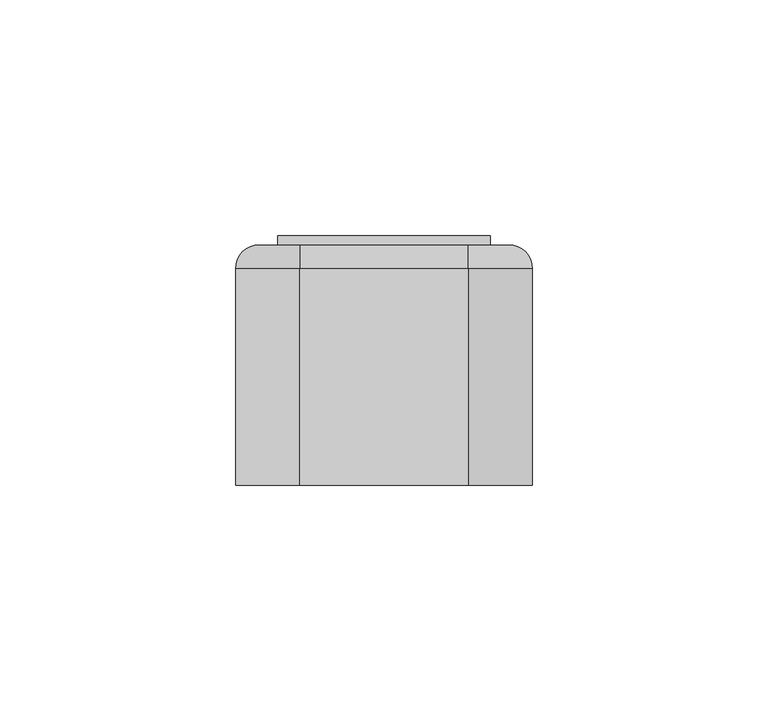
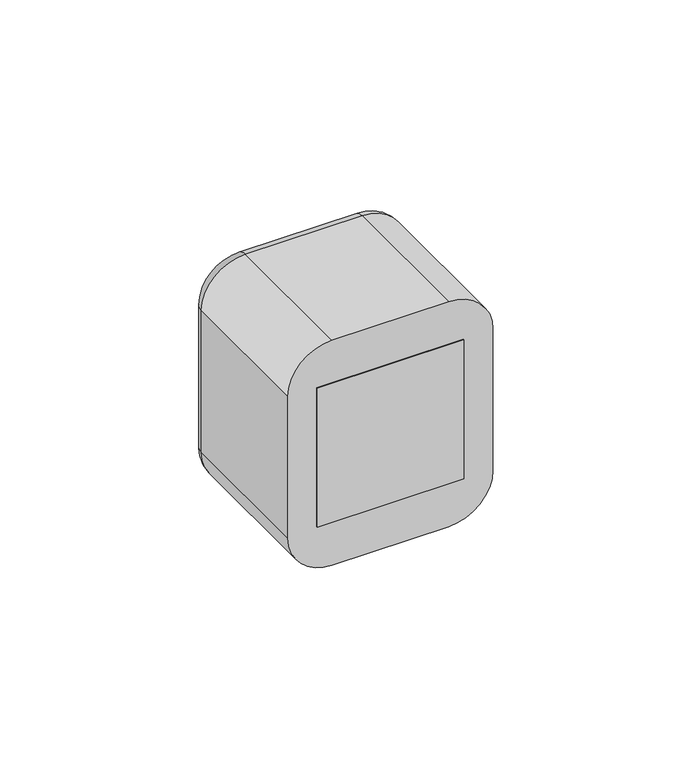
"""IFC4 building model written with IfcOpenShell, lengths in millimetres: proxy geometry."""

from ifc_helpers import new_model, si_unit, point, frame, origin, origin_2d, place, context, project, spatial, polyline, circle_curve, ellipse_curve, trimmed, segment, composite_curve, outline, extrude, source, transform, mapped, element, save
from ifc_brep_helpers import plane_surface, cylinder_surface, revolved_surface, advanced_brep


def electrical_fixtures_f7420d90(model_context):
    return source(origin(), model_context, "Body", "SolidModel", [
        advanced_brep(
        [(22.5, 51.0, 22.5), (22.5, 51.0, -22.5), (-22.5, 51.0, -22.5), (-22.5, 51.0, 22.5), (-18.0, 51.0, 0.0), (18.0, 51.0, 0.0), (22.5, 43.0, 22.5), (-22.5, 43.0, 22.5), (-22.5, 43.0, -22.5), (22.5, 43.0, -22.5), (-7.0, 43.0, 0.0), (-12.0, 43.0, 0.0), (12.0, 43.0, 0.0), (7.0, 43.0, 0.0), (-18.0, 44.0, 0.0), (18.0, 44.0, 0.0), (-12.0, 44.0, 0.0), (-7.0, 44.0, 0.0), (7.0, 44.0, 0.0), (12.0, 44.0, 0.0)],
        [
            (0, 1),
            (1, 2),
            (2, 3),
            (3, 0),
            (4, 5, circle_curve(frame((0.0, 51.0, 0.0), z_axis=(0.0, -1.0, 0.0), x_axis=(1.0, 0.0, 0.0)), 18.0)),
            (5, 4, circle_curve(frame((0.0, 51.0, 0.0), z_axis=(0.0, -1.0, 0.0), x_axis=(1.0, 0.0, 0.0)), 18.0)),
            (6, 7),
            (7, 8),
            (8, 9),
            (9, 6),
            (10, 11, circle_curve(frame((-9.5, 43.0, 0.0), z_axis=(0.0, 1.0, 0.0), x_axis=(1.0, 0.0, 0.0)), 2.5)),
            (11, 10, circle_curve(frame((-9.5, 43.0, 0.0), z_axis=(0.0, 1.0, 0.0), x_axis=(1.0, 0.0, 0.0)), 2.5)),
            (12, 13, circle_curve(frame((9.5, 43.0, 0.0), z_axis=(0.0, 1.0, 0.0), x_axis=(1.0, 0.0, 0.0)), 2.5)),
            (13, 12, circle_curve(frame((9.5, 43.0, 0.0), z_axis=(0.0, 1.0, 0.0), x_axis=(1.0, 0.0, 0.0)), 2.5)),
            (3, 7),
            (6, 0),
            (2, 8),
            (1, 9),
            (14, 15, circle_curve(frame((0.0, 44.0, 0.0), z_axis=(0.0, 1.0, 0.0), x_axis=(1.0, 0.0, 0.0)), 18.0)),
            (15, 14, circle_curve(frame((0.0, 44.0, 0.0), z_axis=(0.0, 1.0, 0.0), x_axis=(1.0, 0.0, 0.0)), 18.0)),
            (16, 17, circle_curve(frame((-9.5, 44.0, 0.0), z_axis=(0.0, -1.0, 0.0), x_axis=(1.0, 0.0, 0.0)), 2.5)),
            (17, 16, circle_curve(frame((-9.5, 44.0, 0.0), z_axis=(0.0, -1.0, 0.0), x_axis=(1.0, 0.0, 0.0)), 2.5)),
            (18, 19, circle_curve(frame((9.5, 44.0, 0.0), z_axis=(0.0, -1.0, 0.0), x_axis=(1.0, 0.0, 0.0)), 2.5)),
            (19, 18, circle_curve(frame((9.5, 44.0, 0.0), z_axis=(0.0, -1.0, 0.0), x_axis=(1.0, 0.0, 0.0)), 2.5)),
            (15, 5),
            (4, 14),
            (10, 17),
            (16, 11),
            (12, 19),
            (18, 13),
        ],
        [
            plane_surface(frame((-39.0, 51.0, 22.5), z_axis=(0.0, 1.0, 0.0), x_axis=(1.0, 0.0, 0.0))),
            plane_surface(frame((-39.0, 43.0, 22.5), z_axis=(0.0, -1.0, 0.0), x_axis=(-1.0, 0.0, 0.0))),
            plane_surface(frame((22.5, 43.0, 22.5), z_axis=(0.0, 0.0, 1.0), x_axis=(0.0, 1.0, 0.0))),
            plane_surface(frame((-22.5, 43.0, 22.5), z_axis=(-1.0, 0.0, 0.0), x_axis=(0.0, 1.0, 0.0))),
            plane_surface(frame((-22.5, 43.0, -22.5), z_axis=(0.0, 0.0, -1.0), x_axis=(0.0, 1.0, 0.0))),
            plane_surface(frame((22.5, 43.0, -22.5), z_axis=(1.0, 0.0, 0.0), x_axis=(0.0, 1.0, 0.0))),
            plane_surface(frame((18.0, 44.0, 0.0), z_axis=(0.0, 1.0, 0.0), x_axis=(0.0, 0.0, 1.0))),
            revolved_surface(polyline([(18.0, 44.0, 0.0), (18.0, 51.0, 0.0)]), (0.0, 51.0, 0.0), (0.0, -1.0, 0.0)),
            revolved_surface(polyline([(-7.0, 43.0, 0.0), (-7.0, 44.0, 0.0)]), (-9.5, 44.0, 0.0), (0.0, -1.0, 0.0)),
            revolved_surface(polyline([(12.0, 43.0, 0.0), (12.0, 44.0, 0.0)]), (9.5, 43.0, 0.0), (0.0, -1.0, 0.0)),
        ],
        [
            (0, [[1, 2, 3, 4], [5, 6]]),
            (1, [[7, 8, 9, 10], [11, 12], [13, 14]]),
            (2, [[-4, 15, -7, 16]]),
            (3, [[-3, 17, -8, -15]]),
            (4, [[-2, 18, -9, -17]]),
            (5, [[-1, -16, -10, -18]]),
            (6, [[19, 20], [21, 22], [23, 24]]),
            (7, [[-20, 25, -5, 26]]),
            (7, [[-19, -26, -6, -25]]),
            (8, [[27, -21, 28, -11]]),
            (8, [[-27, -12, -28, -22]]),
            (9, [[29, -23, 30, -13]]),
            (9, [[-29, -14, -30, -24]]),
        ],
    ),
        extrude(outline(polyline([(22.5, 0.0), (-22.5, 0.0), (-22.5, 43.0), (22.5, 43.0), (22.5, 0.0)])), frame((0.0, 0.0, -22.5), z_axis=(0.0, 0.0, 1.0), x_axis=(1.0, 0.0, 0.0)), (0.0, 0.0, 1.0), 45.0),
        extrude(outline(polyline([(22.5, 51.0), (-22.5, 51.0), (-22.5, 53.0), (22.5, 53.0), (22.5, 51.0)])), frame((0.0, 0.0, -22.5), z_axis=(0.0, 0.0, 1.0), x_axis=(1.0, 0.0, 0.0)), (0.0, 0.0, 1.0), 45.0),
        extrude(outline(composite_curve([segment(polyline([(-16.0, -1.5), (-17.9373911, -1.5)]), True, "CONTINUOUS"), segment(trimmed(circle_curve(origin_2d(), 18.0), [point((-17.9373911, -1.5))], [point((-17.9373911, 1.5))], False, "CARTESIAN"), True, "CONTINUOUS"), segment(polyline([(-17.9373911, 1.5), (-16.0, 1.5), (-16.0, -1.5)]), True, "CONTINUOUS")], self_intersect=False)), frame((0.0, 44.0, 0.0), z_axis=(0.0, 1.0, 0.0), x_axis=(0.0, 0.0, 1.0)), (0.0, 0.0, 1.0), 6.0),
        extrude(outline(composite_curve([segment(polyline([(16.0, -1.5), (16.0, 1.5), (17.9373911, 1.5)]), True, "CONTINUOUS"), segment(trimmed(circle_curve(origin_2d(), 18.0), [point((17.9373911, 1.5))], [point((17.9373911, -1.5))], False, "CARTESIAN"), True, "CONTINUOUS"), segment(polyline([(17.9373911, -1.5), (16.0, -1.5)]), True, "CONTINUOUS")], self_intersect=False)), frame((0.0, 44.0, 0.0), z_axis=(0.0, 1.0, 0.0), x_axis=(0.0, 0.0, 1.0)), (0.0, 0.0, 1.0), 6.0),
        extrude(outline(composite_curve([segment(polyline([(8.2462113, 16.0), (2.0, 16.0), (2.0, 17.8885438)]), True, "CONTINUOUS"), segment(trimmed(circle_curve(origin_2d(), 18.0), [point((2.0, 17.8885438))], [point((8.2462113, 16.0))], False, "CARTESIAN"), True, "CONTINUOUS")], self_intersect=False)), frame((0.0, 44.0, 0.0), z_axis=(0.0, 1.0, 0.0), x_axis=(0.0, 0.0, 1.0)), (0.0, 0.0, 1.0), 6.0),
        extrude(outline(composite_curve([segment(trimmed(circle_curve(origin_2d(), 18.0), [point((-8.2462113, 16.0))], [point((-2.0, 17.8885438))], False, "CARTESIAN"), True, "CONTINUOUS"), segment(polyline([(-2.0, 17.8885438), (-2.0, 16.0), (-8.2462113, 16.0)]), True, "CONTINUOUS")], self_intersect=False)), frame((0.0, 44.0, 0.0), z_axis=(0.0, 1.0, 0.0), x_axis=(0.0, 0.0, 1.0)), (0.0, 0.0, 1.0), 6.0),
        extrude(outline(composite_curve([segment(polyline([(-8.2462113, -16.0), (-2.0, -16.0), (-2.0, -17.8885438)]), True, "CONTINUOUS"), segment(trimmed(circle_curve(origin_2d(), 18.0), [point((-2.0, -17.8885438))], [point((-8.2462113, -16.0))], False, "CARTESIAN"), True, "CONTINUOUS")], self_intersect=False)), frame((0.0, 44.0, 0.0), z_axis=(0.0, 1.0, 0.0), x_axis=(0.0, 0.0, 1.0)), (0.0, 0.0, 1.0), 6.0),
        extrude(outline(composite_curve([segment(trimmed(circle_curve(origin_2d(), 18.0), [point((8.2462113, -16.0))], [point((2.0, -17.8885438))], False, "CARTESIAN"), True, "CONTINUOUS"), segment(polyline([(2.0, -17.8885438), (2.0, -16.0), (8.2462113, -16.0)]), True, "CONTINUOUS")], self_intersect=False)), frame((0.0, 44.0, 0.0), z_axis=(0.0, 1.0, 0.0), x_axis=(0.0, 0.0, 1.0)), (0.0, 0.0, 1.0), 6.0),
        advanced_brep(
        [(17.9328665, 51.0, 31.5), (26.5, 51.0, 22.9328665), (26.5, 51.0, -22.9328665), (17.9328665, 51.0, -31.5), (-17.9328665, 51.0, -31.5), (-26.5, 51.0, -22.9328665), (-26.5, 51.0, 22.9328665), (-17.9328665, 51.0, 31.5), (22.5, 51.0, 22.5), (-22.5, 51.0, 22.5), (-22.5, 51.0, -22.5), (22.5, 51.0, -22.5), (-17.9328665, 0.0, 36.5), (-31.5, 0.0, 22.9328665), (-31.5, 0.0, -22.9328665), (-17.9328665, 0.0, -36.5), (17.9328665, 0.0, -36.5), (31.5, 0.0, -22.9328665), (31.5, 0.0, 22.9328665), (17.9328665, 0.0, 36.5), (22.5, 2.0, -22.5), (22.5, 2.0, 22.5), (-22.5, 2.0, -22.5), (-22.5, 2.0, 22.5), (-31.5, 46.0, 22.9328665), (-31.5, 46.0, -22.9328665), (-17.9328665, 46.0, -36.5), (17.9328665, 46.0, -36.5), (31.5, 46.0, -22.9328665), (31.5, 46.0, 22.9328665), (17.9328665, 46.0000072, 36.5), (-17.9328665, 46.0, 36.5)],
        [
            (0, 1, circle_curve(frame((17.9328665, 51.0, 22.9328665), z_axis=(0.0, 1.0, 0.0), x_axis=(0.0, 0.0, 1.0)), 8.5671335)),
            (1, 2),
            (2, 3, circle_curve(frame((17.9328665, 51.0, -22.9328665), z_axis=(0.0, 1.0, 0.0), x_axis=(1.0, 0.0, 0.0)), 8.5671335)),
            (3, 4),
            (4, 5, circle_curve(frame((-17.9328665, 51.0, -22.9328665), z_axis=(0.0, 1.0, 0.0), x_axis=(0.0, 0.0, -1.0)), 8.5671335)),
            (5, 6),
            (6, 7, circle_curve(frame((-17.9328665, 51.0, 22.9328665), z_axis=(0.0, 1.0, 0.0), x_axis=(-1.0, 0.0, 0.0)), 8.5671335)),
            (7, 0),
            (8, 9),
            (9, 10),
            (10, 11),
            (11, 8),
            (12, 13, circle_curve(frame((-17.9328665, 0.0, 22.9328665), z_axis=(0.0, -1.0, 0.0), x_axis=(1.0, 0.0, 0.0)), 13.5671335)),
            (13, 14),
            (14, 15, circle_curve(frame((-17.9328665, 0.0, -22.9328665), z_axis=(0.0, -1.0, 0.0), x_axis=(1.0, 0.0, 0.0)), 13.5671335)),
            (15, 16),
            (16, 17, circle_curve(frame((17.9328665, 0.0, -22.9328665), z_axis=(0.0, -1.0, 0.0), x_axis=(1.0, 0.0, 0.0)), 13.5671335)),
            (17, 18),
            (18, 19, circle_curve(frame((17.9328665, 0.0, 22.9328665), z_axis=(0.0, -1.0, 0.0), x_axis=(1.0, 0.0, 0.0)), 13.5671335)),
            (19, 12),
            (11, 20),
            (20, 21),
            (21, 8),
            (10, 22),
            (22, 20),
            (9, 23),
            (23, 22),
            (21, 23),
            (13, 24),
            (24, 25),
            (25, 14),
            (15, 26),
            (26, 27),
            (27, 16),
            (17, 28),
            (28, 29),
            (29, 18),
            (19, 30),
            (30, 31),
            (31, 12),
            (31, 24, circle_curve(frame((-17.9328665, 46.0, 22.9328665), z_axis=(0.0, -1.0, 0.0), x_axis=(1.0, 0.0, 0.0)), 13.5671335)),
            (25, 26, circle_curve(frame((-17.9328665, 46.0, -22.9328665), z_axis=(0.0, -1.0, 0.0), x_axis=(1.0, 0.0, 0.0)), 13.5671335)),
            (27, 28, circle_curve(frame((17.9328665, 46.0, -22.9328665), z_axis=(0.0, -1.0, 0.0), x_axis=(1.0, 0.0, 0.0)), 13.5671335)),
            (29, 30, circle_curve(frame((17.9328665, 46.0, 22.9328665), z_axis=(0.0, -1.0, 0.0), x_axis=(1.0, 0.0, 0.0)), 13.5671335)),
            (29, 1, circle_curve(frame((26.5, 46.0, 22.9328665), z_axis=(0.0, 0.0, 1.0), x_axis=(0.0, 1.0, 0.0)), 5.0)),
            (0, 30, circle_curve(frame((17.9328665, 46.0, 31.5), z_axis=(1.0, 0.0, 0.0), x_axis=(0.0, 1.0, 0.0)), 5.0)),
            (28, 2, circle_curve(frame((26.5, 46.0, -22.9328665), z_axis=(0.0, 0.0, 1.0), x_axis=(0.0, 1.0, 0.0)), 5.0)),
            (27, 3, circle_curve(frame((17.9328665, 46.0, -31.5), z_axis=(1.0, 0.0, 0.0), x_axis=(0.0, 1.0, 0.0)), 5.0)),
            (26, 4, circle_curve(frame((-17.9328665, 46.0, -31.5), z_axis=(1.0, 0.0, 0.0), x_axis=(0.0, 1.0, 0.0)), 5.0)),
            (25, 5, circle_curve(frame((-26.5, 46.0, -22.9328665), z_axis=(0.0, 0.0, -1.0), x_axis=(0.0, 1.0, 0.0)), 5.0)),
            (24, 6, circle_curve(frame((-26.5, 46.0, 22.9328665), z_axis=(0.0, 0.0, -1.0), x_axis=(0.0, 1.0, 0.0)), 5.0)),
            (31, 7, circle_curve(frame((-17.9328665, 46.0, 31.5), z_axis=(-1.0, 0.0, 0.0), x_axis=(0.0, 1.0, 0.0)), 5.0)),
        ],
        [
            plane_surface(frame((22.5, 51.0, 6.9412233), z_axis=(0.0, 1.0, 0.0), x_axis=(0.0, 0.0, 1.0))),
            plane_surface(frame((22.5, 0.0, 6.9412233), z_axis=(0.0, -1.0, 0.0), x_axis=(0.0, 0.0, -1.0))),
            plane_surface(frame((22.5, 0.0, 22.5), z_axis=(-1.0, 0.0, 0.0), x_axis=(0.0, 1.0, 0.0))),
            plane_surface(frame((22.5, 0.0, -22.5), z_axis=(0.0, 0.0, 1.0), x_axis=(0.0, 1.0, 0.0))),
            plane_surface(frame((-22.5, 0.0, -22.5), z_axis=(1.0, 0.0, 0.0), x_axis=(0.0, 1.0, 0.0))),
            plane_surface(frame((-22.5, 0.0, 22.5), z_axis=(0.0, 0.0, -1.0), x_axis=(0.0, 1.0, 0.0))),
            plane_surface(frame((-31.5, 0.0, 22.9328665), z_axis=(-1.0, 0.0, 0.0), x_axis=(0.0, 1.0, 0.0))),
            plane_surface(frame((-17.9328665, 0.0, -36.5), z_axis=(0.0, 0.0, -1.0), x_axis=(0.0, 1.0, 0.0))),
            plane_surface(frame((31.5, 0.0, -22.9328665), z_axis=(1.0, 0.0, 0.0), x_axis=(0.0, 1.0, 0.0))),
            plane_surface(frame((17.9328665, 0.0, 36.5), z_axis=(0.0, 0.0, 1.0), x_axis=(0.0, 1.0, 0.0))),
            cylinder_surface(frame((-17.9328665, 0.0, 22.9328665), z_axis=(0.0, -1.0, 0.0), x_axis=(1.0, 0.0, 0.0)), 13.5671335),
            cylinder_surface(frame((-17.9328665, 0.0, -22.9328665), z_axis=(0.0, -1.0, 0.0), x_axis=(1.0, 0.0, 0.0)), 13.5671335),
            cylinder_surface(frame((17.9328665, 0.0, -22.9328665), z_axis=(0.0, -1.0, 0.0), x_axis=(1.0, 0.0, 0.0)), 13.5671335),
            cylinder_surface(frame((17.9328665, 0.0, 22.9328665), z_axis=(0.0, -1.0, 0.0), x_axis=(1.0, 0.0, 0.0)), 13.5671335),
            plane_surface(frame((-22.5, 2.0, 31.0), z_axis=(0.0, 1.0, 0.0), x_axis=(0.0, 0.0, 1.0))),
            revolved_surface(trimmed(ellipse_curve(frame((17.9328665, 46.0, 31.5), z_axis=(-1.0, 0.0, 0.0), x_axis=(0.0, 1.0, 0.0)), 5.0, 5.0), [point((17.9328665, 46.0, 36.5))], [point((17.9328665, 51.0, 31.5))], True, "CARTESIAN"), (17.9328665, 51.0, 22.9328665), (0.0, 1.0, 0.0)),
            cylinder_surface(frame((26.5, 46.0, 22.9328665), z_axis=(0.0, 0.0, -1.0), x_axis=(0.0, 1.0, 0.0)), 5.0),
            revolved_surface(trimmed(ellipse_curve(frame((26.5, 46.0, -22.9328665), z_axis=(0.0, 0.0, 1.0), x_axis=(0.0, 1.0, 0.0)), 5.0, 5.0), [point((31.5, 46.0, -22.9328665))], [point((26.5, 51.0, -22.9328665))], True, "CARTESIAN"), (17.9328665, 51.0, -22.9328665), (0.0, 1.0, 0.0)),
            cylinder_surface(frame((17.9328665, 46.0, -31.5), z_axis=(-1.0, 0.0, 0.0), x_axis=(0.0, 1.0, 0.0)), 5.0),
            revolved_surface(trimmed(ellipse_curve(frame((-17.9328665, 46.0, -31.5), z_axis=(1.0, 0.0, 0.0), x_axis=(0.0, 1.0, 0.0)), 5.0, 5.0), [point((-17.9328665, 46.0, -36.5))], [point((-17.9328665, 51.0, -31.5))], True, "CARTESIAN"), (-17.9328665, 51.0, -22.9328665), (0.0, 1.0, 0.0)),
            cylinder_surface(frame((-26.5, 46.0, -22.9328665), z_axis=(0.0, 0.0, 1.0), x_axis=(0.0, 1.0, 0.0)), 5.0),
            revolved_surface(trimmed(ellipse_curve(frame((-26.5, 46.0, 22.9328665), z_axis=(0.0, 0.0, -1.0), x_axis=(0.0, 1.0, 0.0)), 5.0, 5.0), [point((-31.5, 46.0, 22.9328665))], [point((-26.5, 51.0, 22.9328665))], True, "CARTESIAN"), (-17.9328665, 51.0, 22.9328665), (0.0, 1.0, 0.0)),
            cylinder_surface(frame((-17.9328665, 46.0, 31.5), z_axis=(1.0, 0.0, 0.0), x_axis=(0.0, 1.0, 0.0)), 5.0),
        ],
        [
            (0, [[1, 2, 3, 4, 5, 6, 7, 8], [9, 10, 11, 12]]),
            (1, [[13, 14, 15, 16, 17, 18, 19, 20]]),
            (2, [[-12, 21, 22, 23]]),
            (3, [[-11, 24, 25, -21]]),
            (4, [[-10, 26, 27, -24]]),
            (5, [[-9, -23, 28, -26]]),
            (6, [[-14, 29, 30, 31]]),
            (7, [[-16, 32, 33, 34]]),
            (8, [[-18, 35, 36, 37]]),
            (9, [[-20, 38, 39, 40]]),
            (10, [[-13, -40, 41, -29]]),
            (11, [[-15, -31, 42, -32]]),
            (12, [[-17, -34, 43, -35]]),
            (13, [[-19, -37, 44, -38]]),
            (14, [[-22, -25, -27, -28]]),
            (15, [[45, -1, 46, -44]]),
            (16, [[-45, -36, 47, -2]]),
            (17, [[-47, -43, 48, -3]]),
            (18, [[-48, -33, 49, -4]]),
            (19, [[-49, -42, 50, -5]]),
            (20, [[-50, -30, 51, -6]]),
            (21, [[-51, -41, 52, -7]]),
            (22, [[-46, -8, -52, -39]]),
        ],
    ),
    ])


if __name__ == "__main__":
    model = new_model("IFC4")
    model_context = context("Model", 3, world=origin())
    ifc_project = project(units=[si_unit("LENGTHUNIT", "METRE", prefix="MILLI")], contexts=[model_context])
    site = spatial("IfcSite", under=ifc_project)
    building = spatial("IfcBuilding", under=site)
    placement = place(None, origin())
    electrical_fixtures_shape = electrical_fixtures_f7420d90(model_context)
    element("IfcBuildingElementProxy", 1, Name="Electrical Fixtures", at=placement, inside=building, context=model_context, shape_type="MappedRepresentation", body=[
        mapped(electrical_fixtures_shape, transform((0.0, 0.0, 0.0), x_axis=(1.0, 0.0, 0.0), y_axis=(0.0, 1.0, 0.0), z_axis=(0.0, 0.0, 1.0))),
    ])
    save(model, "model.ifc")
